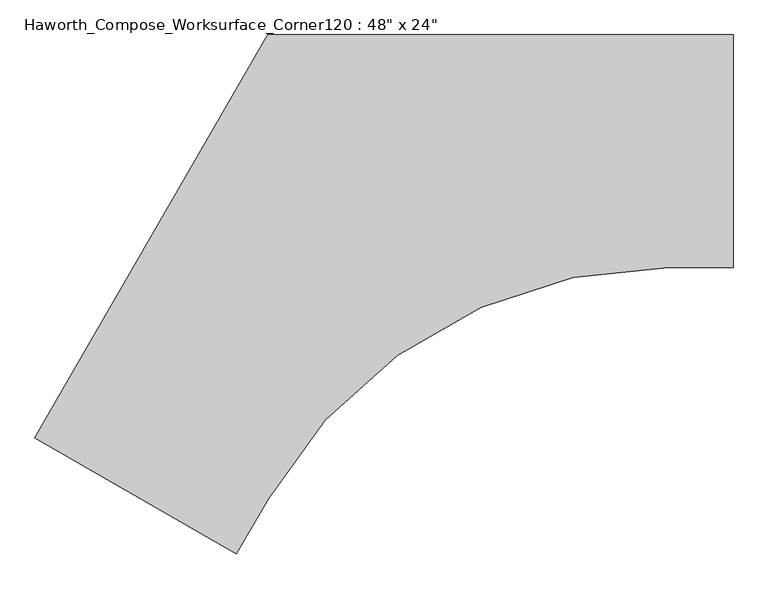
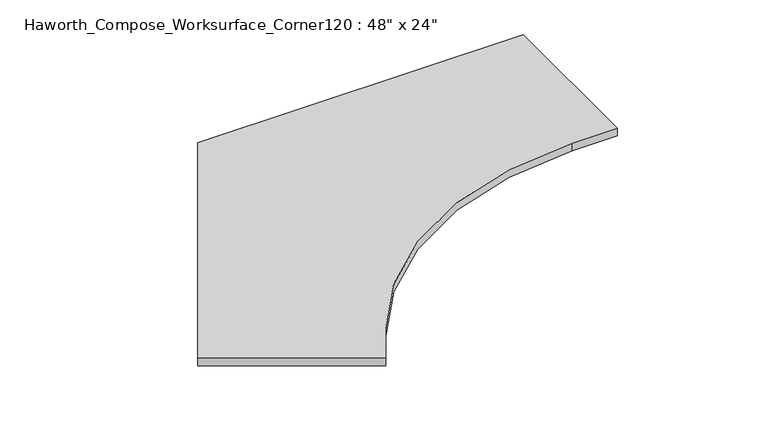
"""IFC4 building model written with IfcOpenShell, lengths in millimetres: furniture geometry."""

from ifc_helpers import new_model, si_unit, point, frame, frame_2d, origin, place, context, project, spatial, polyline, circle_curve, trimmed, segment, composite_curve, outline, extrude, source, transform, mapped, element, save


def furniture_32414d67(model_context):
    return source(origin(), model_context, "Body", "SweptSolid", [
        extrude(outline(composite_curve([segment(polyline([(-1371.6, -751.0581723), (-762.0, 304.8), (457.2, 304.8), (457.2, -304.8), (288.358911, -304.8)]), True, "CONTINUOUS"), segment(trimmed(circle_curve(frame_2d((288.358911, -1514.475)), 1209.675), [point((288.358911, -304.8))], [point((-759.2503693, -909.6375))], True, "CARTESIAN"), True, "CONTINUOUS"), segment(polyline([(-759.2503693, -909.6375), (-843.6709139, -1055.8581723), (-1371.6, -751.0581723)]), True, "CONTINUOUS")], self_intersect=False)), frame((0.0, 0.0, 706.4375), z_axis=(0.0, 0.0, 1.0), x_axis=(1.0, 0.0, 0.0)), (0.0, 0.0, 1.0), 30.1625),
    ])


if __name__ == "__main__":
    model = new_model("IFC4")
    model_context = context("Model", 3, world=origin())
    ifc_project = project(units=[si_unit("LENGTHUNIT", "METRE", prefix="MILLI")], contexts=[model_context])
    site = spatial("IfcSite", under=ifc_project)
    building = spatial("IfcBuilding", under=site)
    placement = place(None, origin())
    furniture_shape = furniture_32414d67(model_context)
    element("IfcFurniture", 1, ObjectType="Haworth_Compose_Worksurface_Corner120 : 48\" x 24\"", at=placement, inside=building, context=model_context, shape_type="MappedRepresentation", body=[
        mapped(furniture_shape, transform((0.0, 0.0, 0.0), x_axis=(1.0, 0.0, 0.0), y_axis=(0.0, 1.0, 0.0), z_axis=(0.0, 0.0, 1.0))),
    ])
    save(model, "model.ifc")
